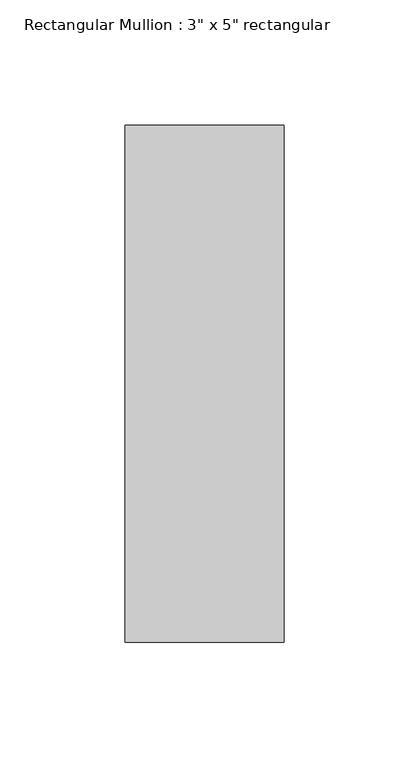
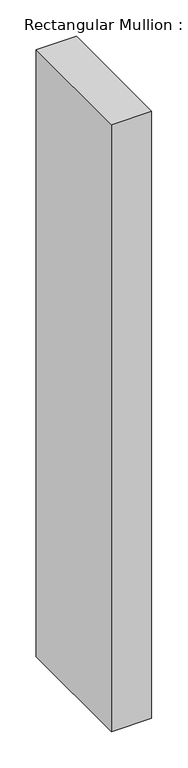
"""IFC4 building model written with IfcOpenShell, lengths in millimetres: member geometry."""

from ifc_helpers import new_model, si_unit, frame, origin, place, context, project, spatial, polyline, outline, extrude, source, transform, mapped, element, save


def member_c597e633(model_context):
    return source(origin(), model_context, "Body", "SweptSolid", [
        extrude(outline(polyline([(0.0, 90.551), (0.0, -115.951), (-63.5, -115.951), (-63.5, 90.551), (0.0, 90.551)])), frame((0.0, 0.0, -1016.0), z_axis=(0.0, 0.0, 1.0), x_axis=(1.0, 0.0, 0.0)), (0.0, 0.0, 1.0), 1016.0),
    ])


if __name__ == "__main__":
    model = new_model("IFC4")
    model_context = context("Model", 3, world=origin())
    ifc_project = project(units=[si_unit("LENGTHUNIT", "METRE", prefix="MILLI")], contexts=[model_context])
    site = spatial("IfcSite", under=ifc_project)
    building = spatial("IfcBuilding", under=site)
    placement = place(None, origin())
    member_shape = member_c597e633(model_context)
    element("IfcMember", 1, ObjectType="Rectangular Mullion : 3\" x 5\" rectangular", at=placement, inside=building, context=model_context, shape_type="MappedRepresentation", body=[
        mapped(member_shape, transform((0.0, 0.0, 0.0), x_axis=(1.0, 0.0, 0.0), y_axis=(0.0, 1.0, 0.0), z_axis=(0.0, 0.0, 1.0))),
    ])
    save(model, "model.ifc")
